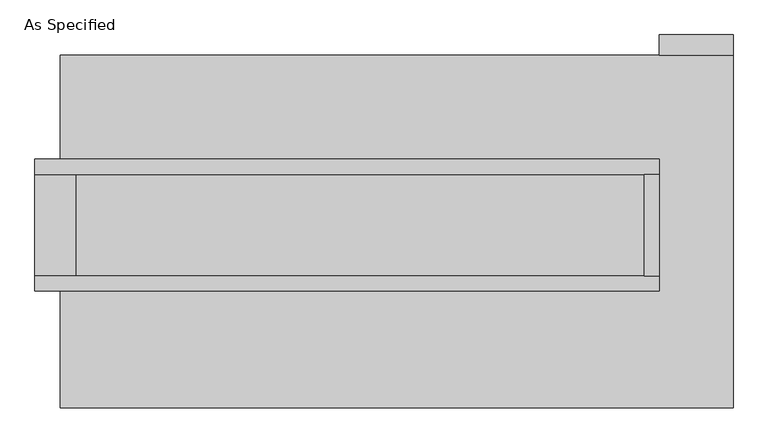
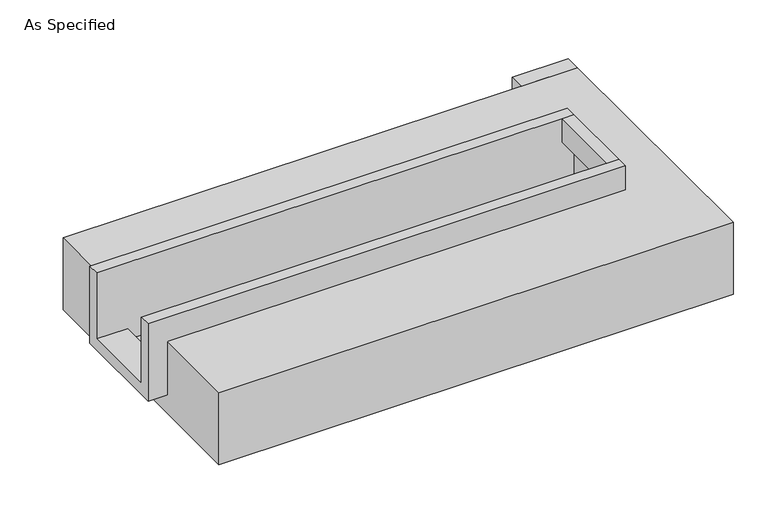
"""IFC4 building model written with IfcOpenShell, lengths in millimetres: proxy geometry, As Specified."""

import ifcopenshell
import ifcopenshell.guid

model = None  # the IFC model being written
_history = None  # IfcOwnerHistory: only IFC2X3 demands one
_inside = {}  # id of a spatial element -> (the spatial element, [elements in it])
_under = {}  # id of a project, library or spatial element -> (it, [spatial elements below it])
_declared = {}  # id of a project -> (the project, [libraries it declares])
_typed = {}  # id of a type object -> (the type object, [elements of that type])
_made_of = {}  # id of a material, layer set ... -> (it, [elements and type objects made of it])


def new_model(schema):
    """Start an empty IFC model of exactly this schema.

    Asked for "IFC4X3", IfcOpenShell would pick the latest addendum, in which some entities
    have other attributes; the version numbers below select the first issue.
    IFC2X3 requires an IfcOwnerHistory on every rooted entity: one is made here for all.
    """
    global model, _history
    if schema == "IFC4X3":
        model = ifcopenshell.file(schema_version=(4, 3, 0, 0))
    else:
        model = ifcopenshell.file(schema=schema)
    _inside.clear()
    _under.clear()
    _declared.clear()
    _typed.clear()
    _made_of.clear()
    _history = None
    if model.schema == "IFC2X3":
        org = make("IfcOrganization", Name="unknown")
        user = make(
            "IfcPersonAndOrganization",
            ThePerson=make("IfcPerson", FamilyName="unknown"),
            TheOrganization=org,
        )
        app = make(
            "IfcApplication",
            ApplicationDeveloper=org,
            Version="unknown",
            ApplicationFullName="unknown",
            ApplicationIdentifier="unknown",
        )
        _history = make(
            "IfcOwnerHistory",
            OwningUser=user,
            OwningApplication=app,
            ChangeAction="ADDED",
            CreationDate=0,
        )
    return model


def make(cls, **values):
    """One entity of the class cls with the attributes given. An attribute that is None is left unset."""
    return model.create_entity(
        cls, **{name: value for name, value in values.items() if value is not None}
    )


def rooted(cls, **values):
    """An entity with a GlobalId (a new one), such as an element, a storey or a relation."""
    return make(cls, GlobalId=ifcopenshell.guid.new(), OwnerHistory=_history, **values)


def si_unit(unit_type, name, prefix=None):
    """IfcSIUnit, for example si_unit("LENGTHUNIT", "METRE", prefix="MILLI")."""
    return make("IfcSIUnit", UnitType=unit_type, Prefix=prefix, Name=name)


def assignment(units):
    """IfcUnitAssignment: the units of a project."""
    return None if units is None else make("IfcUnitAssignment", Units=units)


def point(xyz):
    """IfcCartesianPoint."""
    return None if xyz is None else make("IfcCartesianPoint", Coordinates=xyz)


def direction(xyz):
    """IfcDirection."""
    return None if xyz is None else make("IfcDirection", DirectionRatios=xyz)


def frame(location, z_axis=None, x_axis=None):
    """IfcAxis2Placement3D, a coordinate frame: its origin and axes. An axis left out is left unset."""
    return make(
        "IfcAxis2Placement3D",
        Location=point(location),
        Axis=direction(z_axis),
        RefDirection=direction(x_axis),
    )


def origin():
    """The frame at (0, 0, 0) with its axes left unset."""
    return frame((0.0, 0.0, 0.0))


def place(relative_to, where):
    """IfcLocalPlacement: puts the frame where relative to a parent placement (None: the world)."""
    return make(
        "IfcLocalPlacement", PlacementRelTo=relative_to, RelativePlacement=where
    )


def context(
    kind, dimensions, precision=None, world=None, true_north=None, identifier=None
):
    """IfcGeometricRepresentationContext, for example the 3D "Model" context."""
    return make(
        "IfcGeometricRepresentationContext",
        ContextIdentifier=identifier,
        ContextType=kind,
        CoordinateSpaceDimension=dimensions,
        Precision=precision,
        WorldCoordinateSystem=world,
        TrueNorth=true_north,
    )


def project(units=None, contexts=None):
    """IfcProject with its units and contexts."""
    return rooted(
        "IfcProject",
        Name="project",
        RepresentationContexts=contexts,
        UnitsInContext=assignment(units),
    )


def spatial(cls, under=None, at=None, **own):
    """A site, building, storey or space (cls), placed at a placement, below another one or the project."""
    s = rooted(cls, ObjectPlacement=at, **own)
    if under is not None:
        _under.setdefault(under.id(), (under, []))[1].append(s)
    return s


def polyline(points):
    """IfcPolyline through the points."""
    return make("IfcPolyline", Points=[point(p) for p in points])


def outline(outer, holes=None, kind="AREA"):
    """IfcArbitraryClosedProfileDef: a profile drawn as a closed curve; with holes, ...WithVoids."""
    if holes is None:
        return make("IfcArbitraryClosedProfileDef", ProfileType=kind, OuterCurve=outer)
    return make(
        "IfcArbitraryProfileDefWithVoids",
        ProfileType=kind,
        OuterCurve=outer,
        InnerCurves=holes,
    )


def extrude(swept, where, along, depth):
    """IfcExtrudedAreaSolid: the profile swept, set in the frame where, extruded along a direction by depth."""
    return make(
        "IfcExtrudedAreaSolid",
        SweptArea=swept,
        Position=where,
        ExtrudedDirection=direction(along),
        Depth=depth,
    )


def faces_of(points, faces, orient=None, outer=None):
    """IfcFace entities. A face is a list of loops; a loop is a list of indices into points, from 0.

    orient and outer hold one flag for each loop. By default every Orientation is true, the
    first loop of a face is its IfcFaceOuterBound and the others are IfcFaceBound.
    """
    made = []
    for i, loops in enumerate(faces):
        bounds = []
        for j, loop in enumerate(loops):
            is_outer = j == 0 if outer is None else outer[i][j]
            bounds.append(
                make(
                    "IfcFaceOuterBound" if is_outer else "IfcFaceBound",
                    Bound=make("IfcPolyLoop", Polygon=[points[k] for k in loop]),
                    Orientation=True if orient is None else orient[i][j],
                )
            )
        made.append(make("IfcFace", Bounds=bounds))
    return made


def faceted_brep(points, faces, orient=None, outer=None, voids=None):
    """IfcFacetedBrep: a solid bounded by flat faces; with voids (closed shells), ...WithVoids."""
    shared = [point(p) for p in points]
    hull = make("IfcClosedShell", CfsFaces=faces_of(shared, faces, orient, outer))
    if voids is None:
        return make("IfcFacetedBrep", Outer=hull)
    return make(
        "IfcFacetedBrepWithVoids",
        Outer=hull,
        Voids=[
            make(cls, CfsFaces=faces_of(shared, fs, o, b)) for cls, fs, o, b in voids
        ],
    )


def shape(context_of_items, identifier, shape_type, items):
    """IfcShapeRepresentation: the items that make up one representation, for example the "Body"."""
    return make(
        "IfcShapeRepresentation",
        ContextOfItems=context_of_items,
        RepresentationIdentifier=identifier,
        RepresentationType=shape_type,
        Items=items,
    )


def source(mapping_origin, context_of_items, identifier, shape_type, items):
    """IfcRepresentationMap: a shape defined once, which mapped items show again and again."""
    return make(
        "IfcRepresentationMap",
        MappingOrigin=mapping_origin,
        MappedRepresentation=shape(context_of_items, identifier, shape_type, items),
    )


def transform(
    local_origin,
    x_axis=None,
    y_axis=None,
    z_axis=None,
    scale=None,
    scale2=None,
    scale3=None,
    uniform=True,
):
    """IfcCartesianTransformationOperator3D, or its non-uniform kind. x_axis, y_axis, z_axis: its Axis1, 2, 3."""
    if uniform:
        return make(
            "IfcCartesianTransformationOperator3D",
            Axis1=direction(x_axis),
            Axis2=direction(y_axis),
            LocalOrigin=point(local_origin),
            Scale=scale,
            Axis3=direction(z_axis),
        )
    return make(
        "IfcCartesianTransformationOperator3DnonUniform",
        Axis1=direction(x_axis),
        Axis2=direction(y_axis),
        LocalOrigin=point(local_origin),
        Scale=scale,
        Axis3=direction(z_axis),
        Scale2=scale2,
        Scale3=scale3,
    )


def mapped(mapping_source, mapping_target):
    """IfcMappedItem: shows the shape of a source again, moved by a transform."""
    return make(
        "IfcMappedItem", MappingSource=mapping_source, MappingTarget=mapping_target
    )


def made_of(thing, what):
    """Note that an element or type object is made of a material, layer set ...; save() writes the relation."""
    if what is not None:
        _made_of.setdefault(what.id(), (what, []))[1].append(thing)
    return thing


def element(
    cls,
    number,
    at=None,
    inside=None,
    cuts=None,
    type_object=None,
    material=None,
    context=None,
    identifier="Body",
    shape_type=None,
    held_by="IfcProductDefinitionShape",
    body=None,
    shapes=None,
    **own,
):
    """One element of the class cls, such as IfcWall. Its Tag is "e" and its number.

    at: its placement. inside: the storey or other place that contains it. cuts: it is an
    opening in that element (IfcRelVoidsElement). A single representation is given by context,
    identifier, shape_type and body (its items); several are given by shapes. held_by: the class
    of the entity that holds the representations. save() writes the other relations.
    """
    e = rooted(cls, Tag="e%d" % number, ObjectPlacement=at, **own)
    if body is not None:
        shapes = [shape(context, identifier, shape_type, body)]
    if shapes is not None:
        e.Representation = make(held_by, Representations=shapes)
    if inside is not None:
        _inside.setdefault(inside.id(), (inside, []))[1].append(e)
    if cuts is not None:
        rooted(
            "IfcRelVoidsElement", RelatingBuildingElement=cuts, RelatedOpeningElement=e
        )
    if type_object is not None:
        _typed.setdefault(type_object.id(), (type_object, []))[1].append(e)
    return made_of(e, material)


def aggregate(whole, parts):
    """IfcRelAggregates: a whole, such as a stair, and the parts it consists of."""
    return rooted("IfcRelAggregates", RelatingObject=whole, RelatedObjects=parts)


def save(model, path):
    """Write the relations noted so far, then the file.

    IfcRelAggregates (storeys below a building ...), IfcRelContainedInSpatialStructure (elements
    in a storey), IfcRelDefinesByType, IfcRelAssociatesMaterial and IfcRelDeclares: one each for
    every whole, place, type object, material and project.
    """
    for whole, parts in _under.values():
        aggregate(whole, parts)
    for where, things in _inside.values():
        rooted(
            "IfcRelContainedInSpatialStructure",
            RelatedElements=things,
            RelatingStructure=where,
        )
    for kind, things in _typed.values():
        rooted("IfcRelDefinesByType", RelatedObjects=things, RelatingType=kind)
    for what, things in _made_of.values():
        rooted("IfcRelAssociatesMaterial", RelatedObjects=things, RelatingMaterial=what)
    for by, libraries in _declared.values():
        rooted("IfcRelDeclares", RelatingContext=by, RelatedDefinitions=libraries)
    model.write(path)


def as_specified_4620bcfa(model_context):
    return source(origin(), model_context, "Body", "SolidModel", [
        extrude(outline(polyline([(1784.35, 882.65), (1416.05, 882.65), (1416.05, 984.25), (1784.35, 984.25), (1784.35, 882.65)])), frame((0.0, 0.0, -523.9742188), z_axis=(0.0, 0.0, 1.0), x_axis=(1.0, 0.0, 0.0)), (0.0, 0.0, 1.0), 498.5742187),
        extrude(outline(polyline([(1339.85, 285.75), (1416.05, 285.75), (1416.05, -222.25), (1339.85, -222.25), (1339.85, 285.75)])), frame((0.0, 0.0, -25.4), z_axis=(0.0, 0.0, 1.0), x_axis=(1.0, 0.0, 0.0)), (0.0, 0.0, 1.0), 165.1),
        faceted_brep([(1416.05, 285.75, 139.7), (1416.05, 285.75, -317.5), (1416.05, -222.25, -317.5), (1416.05, -222.25, 139.7), (1416.05, -298.45, 139.7), (1416.05, -298.45, -393.7), (1416.05, 361.95, -393.7), (1416.05, 361.95, 139.7), (-1708.15, 285.75, 139.7), (-1708.15, 361.95, 139.7), (-1708.15, 361.95, -393.7), (-1708.15, -298.45, -393.7), (-1708.15, -298.45, 139.7), (-1708.15, -222.25, 139.7), (-1708.15, -222.25, -317.5), (-1708.15, 285.75, -317.5), (-1504.95, 285.75, -393.7), (-1504.95, -222.25, -393.7), (1339.85, -222.25, -393.7), (1339.85, 285.75, -393.7), (1339.85, -222.25, -317.5), (-1504.95, -222.25, -317.5), (1339.85, 285.75, -317.5), (-1504.95, 285.75, -317.5)], [[[0, 1, 2, 3, 4, 5, 6, 7]], [[8, 9, 10, 11, 12, 13, 14, 15]], [[0, 7, 9, 8]], [[7, 6, 10, 9]], [[6, 5, 11, 10], [16, 17, 18, 19]], [[4, 3, 13, 12]], [[3, 2, 20, 18, 17, 21, 14, 13]], [[2, 1, 22, 20]], [[15, 14, 21, 23]], [[1, 0, 8, 15, 23, 16, 19, 22]], [[21, 17, 16, 23]], [[18, 20, 22, 19]], [[5, 4, 12, 11]]]),
        faceted_brep([(1784.35, 882.65, -523.9742188), (1784.35, -882.65, -523.9742188), (-1581.15, -882.65, -523.9742188), (-1581.15, 882.65, -523.9742188), (-1581.15, 882.65, -25.4), (-1581.15, 361.95, -25.4), (1416.05, 361.95, -25.4), (1416.05, -298.45, -25.4), (-1581.15, -298.45, -25.4), (-1581.15, -882.65, -25.4), (1784.35, -882.65, -25.4), (1784.35, 882.65, -25.4), (-1581.15, -298.45, -393.7), (-1581.15, 361.95, -393.7), (1416.05, 361.95, -393.7), (1416.05, -298.45, -393.7)], [[[0, 1, 2, 3]], [[4, 5, 6, 7, 8, 9, 10, 11]], [[0, 3, 4, 11]], [[4, 3, 2, 9, 8, 12, 13, 5]], [[2, 1, 10, 9]], [[14, 15, 7, 6]], [[13, 14, 6, 5]], [[15, 14, 13, 12]], [[15, 12, 8, 7]], [[1, 0, 11, 10]]]),
    ])


if __name__ == "__main__":
    model = new_model("IFC4")
    model_context = context("Model", 3, world=origin())
    ifc_project = project(units=[si_unit("LENGTHUNIT", "METRE", prefix="MILLI")], contexts=[model_context])
    site = spatial("IfcSite", under=ifc_project)
    building = spatial("IfcBuilding", under=site)
    placement = place(None, origin())
    as_specified_shape = as_specified_4620bcfa(model_context)
    element("IfcBuildingElementProxy", 1, Name="As Specified", ObjectType="As Specified", at=placement, inside=building, context=model_context, shape_type="MappedRepresentation", body=[
        mapped(as_specified_shape, transform((0.0, 0.0, 0.0), x_axis=(1.0, 0.0, 0.0), y_axis=(0.0, 1.0, 0.0), z_axis=(0.0, 0.0, 1.0))),
    ])
    save(model, "model.ifc")
